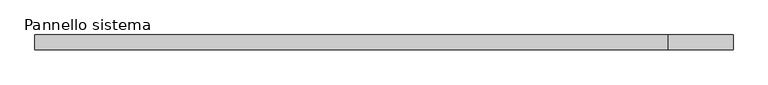
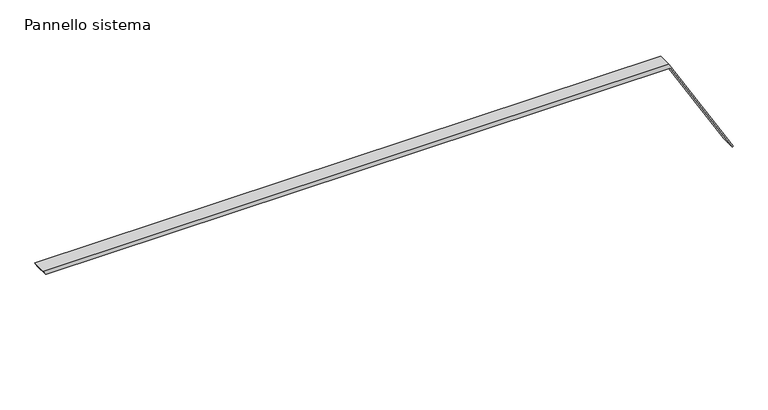
"""IFC4 building model written with IfcOpenShell, lengths in millimetres: plate geometry, Pannello sistema."""

from ifc_helpers import new_model, si_unit, frame, origin, place, context, project, spatial, polyline, outline, extrude, source, transform, mapped, element, save


def pannello_sistema_12927d55(model_context):
    return source(origin(), model_context, "Body", "SweptSolid", [
        extrude(outline(polyline([(0.0, 593.3527978), (0.9864343, 595.0274309), (188.9248806, 484.3232257), (188.9248806, -595.0274309), (181.4566013, -590.6282782), (181.4566013, 486.4666911), (0.0, 593.3527978)])), frame((0.0, -12.5, 0.0), z_axis=(0.0, 1.0, 0.0), x_axis=(0.0, 0.0, 1.0)), (0.0, 0.0, 1.0), 25.0),
    ])


if __name__ == "__main__":
    model = new_model("IFC4")
    model_context = context("Model", 3, world=origin())
    ifc_project = project(units=[si_unit("LENGTHUNIT", "METRE", prefix="MILLI")], contexts=[model_context])
    site = spatial("IfcSite", under=ifc_project)
    building = spatial("IfcBuilding", under=site)
    placement = place(None, origin())
    pannello_sistema_shape = pannello_sistema_12927d55(model_context)
    element("IfcPlate", 1, ObjectType="Pannello sistema", at=placement, inside=building, context=model_context, shape_type="MappedRepresentation", body=[
        mapped(pannello_sistema_shape, transform((0.0, 0.0, 0.0), x_axis=(1.0, 0.0, 0.0), y_axis=(0.0, 1.0, 0.0), z_axis=(0.0, 0.0, 1.0))),
    ])
    save(model, "model.ifc")
